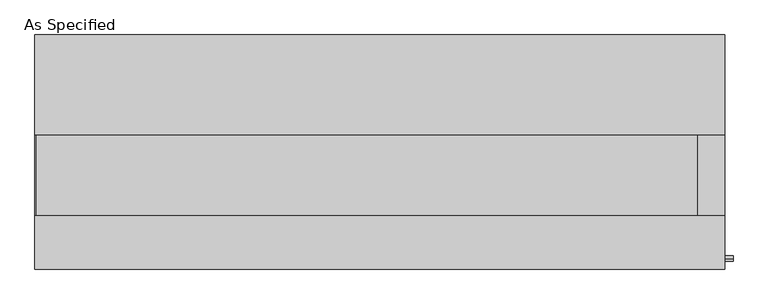
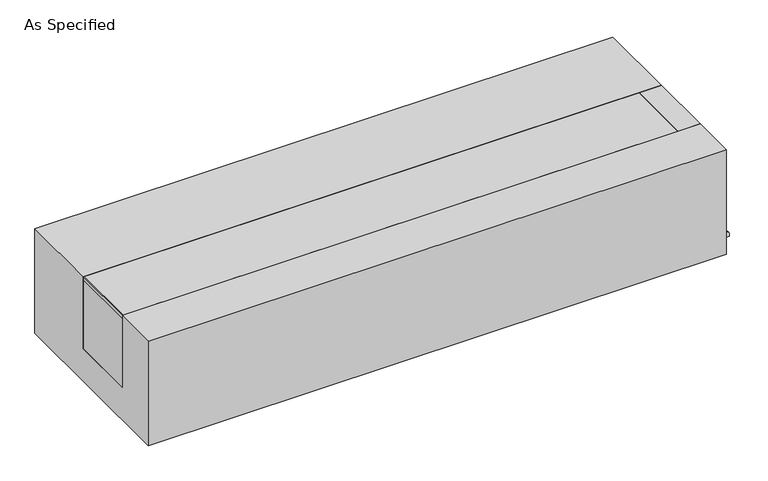
"""IFC4 building model written with IfcOpenShell, lengths in millimetres: proxy geometry, As Specified."""

from ifc_helpers import new_model, si_unit, point, frame, frame_2d, origin, place, context, project, spatial, polyline, circle_curve, trimmed, segment, composite_curve, outline, extrude, source, transform, mapped, element, save


def as_specified_f8fc43d5(model_context):
    return source(origin(), model_context, "Body", "SweptSolid", [
        extrude(outline(composite_curve([segment(trimmed(circle_curve(frame_2d((-407.9875, -466.725)), 10.5), [point((-407.9875, -456.225))], [point((-407.9875, -477.225))], False, "CARTESIAN"), True, "CONTINUOUS"), segment(trimmed(circle_curve(frame_2d((-407.9875, -466.725)), 10.5), [point((-407.9875, -477.225))], [point((-407.9875, -456.225))], False, "CARTESIAN"), True, "CONTINUOUS")], self_intersect=False)), frame((1319.2125, 0.0, 0.0), z_axis=(1.0, 0.0, 0.0), x_axis=(0.0, 1.0, 0.0)), (0.0, 0.0, 1.0), 31.8403384),
        extrude(outline(polyline([(1216.81875, -241.3), (1216.81875, 63.5), (1319.2125, 63.5), (1319.2125, -241.3), (1216.81875, -241.3)])), frame((0.0, 0.0, -373.0625), z_axis=(0.0, 0.0, 1.0), x_axis=(1.0, 0.0, 0.0)), (0.0, 0.0, 1.0), 347.6625),
        extrude(outline(polyline([(-1315.24375, -241.3), (-1319.2125, -241.3), (-1319.2125, 63.5), (-1315.24375, 63.5), (-1315.24375, -241.3)])), frame((0.0, 0.0, -39.6875), z_axis=(0.0, 0.0, 1.0), x_axis=(1.0, 0.0, 0.0)), (0.0, 0.0, 1.0), 14.2875),
        extrude(outline(polyline([(1216.81875, 63.5), (1216.81875, -241.3), (-1319.2125, -241.3), (-1319.2125, 63.5), (1216.81875, 63.5)])), frame((0.0, 0.0, -373.0625), z_axis=(0.0, 0.0, 1.0), x_axis=(1.0, 0.0, 0.0)), (0.0, 0.0, 1.0), 347.6625),
        extrude(outline(polyline([(447.675, -25.4), (447.675, -530.225), (-447.675, -530.225), (-447.675, -25.4), (-241.3, -25.4), (-241.3, -373.0625), (63.5, -373.0625), (63.5, -25.4), (447.675, -25.4)])), frame((-1319.2125, 0.0, 0.0), z_axis=(1.0, 0.0, 0.0), x_axis=(0.0, 1.0, 0.0)), (0.0, 0.0, 1.0), 2638.425),
    ])


if __name__ == "__main__":
    model = new_model("IFC4")
    model_context = context("Model", 3, world=origin())
    ifc_project = project(units=[si_unit("LENGTHUNIT", "METRE", prefix="MILLI")], contexts=[model_context])
    site = spatial("IfcSite", under=ifc_project)
    building = spatial("IfcBuilding", under=site)
    placement = place(None, origin())
    as_specified_shape = as_specified_f8fc43d5(model_context)
    element("IfcBuildingElementProxy", 1, Name="As Specified", ObjectType="As Specified", at=placement, inside=building, context=model_context, shape_type="MappedRepresentation", body=[
        mapped(as_specified_shape, transform((0.0, 0.0, 0.0), x_axis=(1.0, 0.0, 0.0), y_axis=(0.0, 1.0, 0.0), z_axis=(0.0, 0.0, 1.0))),
    ])
    save(model, "model.ifc")
